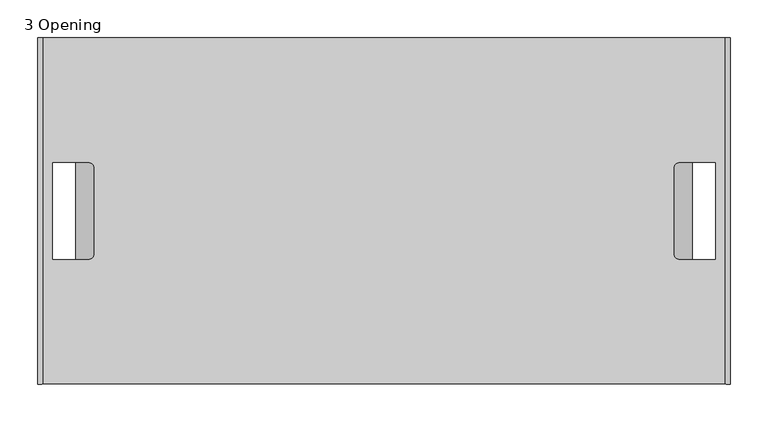
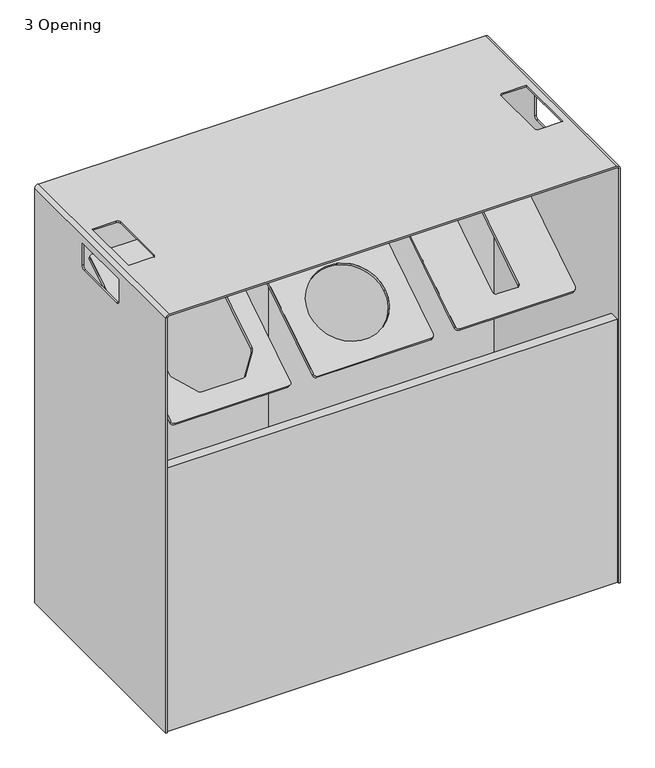
"""IFC4 building model written with IfcOpenShell, lengths in millimetres: furniture geometry, 3 Opening."""

from ifc_helpers import new_model, si_unit, point, frame, origin, place, context, project, spatial, polyline, circle_curve, ellipse_curve, trimmed, outline, extrude, source, transform, mapped, element, save
from ifc_brep_helpers import plane_surface, cylinder_surface, revolved_surface, extruded_surface, advanced_brep


def furniture_3_opening_457c4e11(model_context):
    return source(origin(), model_context, "Body", "SolidModel", [
        advanced_brep(
        [(56.15, -102.6571407, 810.2637759), (49.8, -108.013156, 806.8526764), (49.8, -386.8172703, 629.2899642), (56.15, -392.1732856, 625.8788646), (284.75, -392.1732856, 625.8788646), (291.1, -386.8172703, 629.2899642), (291.1, -108.013156, 806.8526764), (284.75, -102.6571407, 810.2637759), (87.9, -181.8492622, 759.8284805), (90.1001533, -176.7313579, 763.0879338), (122.8895643, -143.6088696, 784.1827403), (130.838696, -140.472476, 786.1802235), (209.3959224, -140.472476, 786.1802235), (220.1220339, -144.7339742, 783.4661919), (251.3108387, -176.5831405, 763.1823293), (253.0, -180.5453164, 760.6589279), (253.0, -317.6889974, 673.3158698), (250.0484863, -324.5546846, 668.9433015), (219.8334911, -355.076606, 649.5047249), (211.2749163, -358.4534602, 647.3540988), (128.6285355, -358.4534602, 647.3540988), (122.0278056, -355.8309816, 649.0242837), (90.005801, -323.1309741, 669.8500238), (87.9, -318.1915086, 672.9958342), (56.15, -99.5358468, 805.3628057), (284.75, -99.5358468, 805.3628057), (291.1, -104.8918621, 801.9517061), (291.1, -383.6959765, 624.388994), (284.75, -389.0519917, 620.9778944), (56.15, -389.0519917, 620.9778944), (49.8, -383.6959765, 624.388994), (49.8, -104.8918621, 801.9517061), (87.9, -178.7279683, 754.9275102), (87.9, -315.0702147, 668.094864), (90.005801, -320.0096802, 664.9490535), (122.0278056, -352.7096877, 644.1233135), (128.6285355, -355.3321664, 642.4531286), (211.2749163, -355.3321664, 642.4531286), (219.8334911, -351.9553121, 644.6037546), (250.0484863, -321.4333907, 664.0423313), (253.0, -314.5677035, 668.4148996), (253.0, -177.4240226, 755.7579576), (251.3108387, -173.4618467, 758.2813591), (220.1220339, -141.6126804, 778.5652216), (209.3959224, -137.3511822, 781.2792533), (130.838696, -137.3511822, 781.2792533), (122.8895643, -140.4875758, 779.28177), (90.1001533, -173.610064, 758.1869635)],
        [
            (0, 1, circle_curve(frame((56.15, -108.013156, 806.8526764), z_axis=(0.0, -0.537181036854724, 0.8434669724676147), x_axis=(1.0, 0.0, 0.0)), 6.35)),
            (1, 2),
            (2, 3, circle_curve(frame((56.15, -386.8172703, 629.2899642), z_axis=(0.0, -0.537181036854724, 0.8434669724676147), x_axis=(1.0, 0.0, 0.0)), 6.35)),
            (3, 4),
            (4, 5, circle_curve(frame((284.75, -386.8172703, 629.2899642), z_axis=(0.0, -0.537181036854724, 0.8434669724676147), x_axis=(1.0, 0.0, 0.0)), 6.35)),
            (5, 6),
            (6, 7, circle_curve(frame((284.75, -108.013156, 806.8526764), z_axis=(0.0, -0.537181036854724, 0.8434669724676147), x_axis=(1.0, 0.0, 0.0)), 6.35)),
            (7, 0),
            (8, 9, circle_curve(frame((97.366989, -181.8492622, 759.8284805), z_axis=(0.0, 0.537181036854724, -0.8434669724676147), x_axis=(1.0, 0.0, 0.0)), 9.466989)),
            (9, 10),
            (10, 11, circle_curve(frame((130.838696, -149.207303, 780.6172512), z_axis=(0.0, 0.537181036854724, -0.8434669724676147), x_axis=(1.0, 0.0, 0.0)), 10.3558613)),
            (11, 12),
            (12, 13, circle_curve(frame((209.3959224, -152.2067016, 778.7070164), z_axis=(0.0, 0.537181036854724, -0.8434669724676147), x_axis=(1.0, 0.0, 0.0)), 13.9118968)),
            (13, 14),
            (14, 15, circle_curve(frame((245.6236593, -180.5453164, 760.6589279), z_axis=(0.0, 0.537181036854724, -0.8434669724676147), x_axis=(1.0, 0.0, 0.0)), 7.3763407)),
            (15, 16),
            (16, 17, circle_curve(frame((240.3, -317.6889974, 673.3158698), z_axis=(0.0, 0.537181036854724, -0.8434669724676147), x_axis=(1.0, 0.0, 0.0)), 12.7)),
            (17, 18),
            (18, 19, circle_curve(frame((211.2749163, -349.0489526, 653.3435724), z_axis=(0.0, 0.537181036854724, -0.8434669724676147), x_axis=(1.0, 0.0, 0.0)), 11.1498233)),
            (19, 20),
            (20, 21, circle_curve(frame((128.6285355, -351.2323482, 651.9530275), z_axis=(0.0, 0.537181036854724, -0.8434669724676147), x_axis=(1.0, 0.0, 0.0)), 8.5612268)),
            (21, 22),
            (22, 23, circle_curve(frame((97.0957503, -318.1915086, 672.9958342), z_axis=(0.0, 0.537181036854724, -0.8434669724676147), x_axis=(1.0, 0.0, 0.0)), 9.1957503)),
            (23, 8),
            (24, 25),
            (25, 26, circle_curve(frame((284.75, -104.8918621, 801.9517061), z_axis=(0.0, 0.537181036854724, -0.8434669724676147), x_axis=(1.0, 0.0, 0.0)), 6.35)),
            (26, 27),
            (27, 28, circle_curve(frame((284.75, -383.6959765, 624.388994), z_axis=(0.0, 0.537181036854724, -0.8434669724676147), x_axis=(1.0, 0.0, 0.0)), 6.35)),
            (28, 29),
            (29, 30, circle_curve(frame((56.15, -383.6959765, 624.388994), z_axis=(0.0, 0.537181036854724, -0.8434669724676147), x_axis=(1.0, 0.0, 0.0)), 6.35)),
            (30, 31),
            (31, 24, circle_curve(frame((56.15, -104.8918621, 801.9517061), z_axis=(0.0, 0.537181036854724, -0.8434669724676147), x_axis=(1.0, 0.0, 0.0)), 6.35)),
            (32, 33),
            (33, 34, circle_curve(frame((97.0957503, -315.0702147, 668.094864), z_axis=(0.0, -0.537181036854724, 0.8434669724676147), x_axis=(1.0, 0.0, 0.0)), 9.1957503)),
            (34, 35),
            (35, 36, circle_curve(frame((128.6285355, -348.1110543, 647.0520572), z_axis=(0.0, -0.537181036854724, 0.8434669724676147), x_axis=(1.0, 0.0, 0.0)), 8.5612268)),
            (36, 37),
            (37, 38, circle_curve(frame((211.2749163, -345.9276587, 648.4426022), z_axis=(0.0, -0.537181036854724, 0.8434669724676147), x_axis=(1.0, 0.0, 0.0)), 11.1498233)),
            (38, 39),
            (39, 40, circle_curve(frame((240.3, -314.5677035, 668.4148996), z_axis=(0.0, -0.537181036854724, 0.8434669724676147), x_axis=(1.0, 0.0, 0.0)), 12.7)),
            (40, 41),
            (41, 42, circle_curve(frame((245.6236593, -177.4240226, 755.7579576), z_axis=(0.0, -0.537181036854724, 0.8434669724676147), x_axis=(1.0, 0.0, 0.0)), 7.3763407)),
            (42, 43),
            (43, 44, circle_curve(frame((209.3959224, -149.0854077, 773.8060461), z_axis=(0.0, -0.537181036854724, 0.8434669724676147), x_axis=(1.0, 0.0, 0.0)), 13.9118968)),
            (44, 45),
            (45, 46, circle_curve(frame((130.838696, -146.0860091, 775.716281), z_axis=(0.0, -0.537181036854724, 0.8434669724676147), x_axis=(1.0, 0.0, 0.0)), 10.3558613)),
            (46, 47),
            (47, 32, circle_curve(frame((97.366989, -178.7279683, 754.9275102), z_axis=(0.0, -0.537181036854724, 0.8434669724676147), x_axis=(1.0, 0.0, 0.0)), 9.466989)),
            (0, 24),
            (31, 1),
            (30, 2),
            (29, 3),
            (28, 4),
            (27, 5),
            (26, 6),
            (25, 7),
            (8, 32),
            (47, 9),
            (46, 10),
            (45, 11),
            (44, 12),
            (43, 13),
            (42, 14),
            (41, 15),
            (40, 16),
            (39, 17),
            (38, 18),
            (37, 19),
            (36, 20),
            (35, 21),
            (34, 22),
            (33, 23),
        ],
        [
            plane_surface(frame((62.5, -108.013156, 806.8526764), z_axis=(0.0, -0.5371810368547238, 0.8434669724676146), x_axis=(0.0, 0.8434669724676146, 0.5371810368547238))),
            plane_surface(frame((62.5, -104.8918621, 801.9517061), z_axis=(0.0, 0.5371810368547238, -0.8434669724676146), x_axis=(0.0, -0.8434669724676146, -0.5371810368547238))),
            cylinder_surface(frame((56.15, -104.8918621, 801.9517061), z_axis=(0.0, -0.537181036854724, 0.8434669724676147), x_axis=(1.0, 0.0, 0.0)), 6.35),
            plane_surface(frame((49.8, -108.013156, 806.8526764), z_axis=(-1.0000000000000002, 0.0, 0.0), x_axis=(0.0, 0.5371810368547235, -0.843466972467615))),
            cylinder_surface(frame((56.15, -383.6959765, 624.388994), z_axis=(0.0, -0.537181036854724, 0.8434669724676147), x_axis=(1.0, 0.0, 0.0)), 6.35),
            plane_surface(frame((56.15, -392.1732856, 625.8788646), z_axis=(0.0, -0.843466972467615, -0.5371810368547235), x_axis=(0.0, 0.5371810368547235, -0.843466972467615))),
            cylinder_surface(frame((284.75, -383.6959765, 624.388994), z_axis=(0.0, -0.537181036854724, 0.8434669724676147), x_axis=(1.0, 0.0, 0.0)), 6.35),
            plane_surface(frame((291.1, -386.8172703, 629.2899642), z_axis=(1.0000000000000002, 0.0, 0.0), x_axis=(0.0, 0.5371810368547235, -0.843466972467615))),
            cylinder_surface(frame((284.75, -104.8918621, 801.9517061), z_axis=(0.0, -0.537181036854724, 0.8434669724676147), x_axis=(1.0, 0.0, 0.0)), 6.35),
            plane_surface(frame((284.75, -102.6571407, 810.2637759), z_axis=(0.0, 0.8434669724676136, 0.5371810368547256), x_axis=(0.0, 0.5371810368547256, -0.8434669724676136))),
            revolved_surface(polyline([(106.833978, -178.7279683042494, 754.9275101972938), (106.833978, -181.8492622337114, 759.8284805596874)]), (97.366989, 251.3620675, 79.6118987), (0.0, 0.537181036854724, -0.8434669724676147)),
            plane_surface(frame((90.1001533, -176.7313579, 763.0879338), z_axis=(0.767597349741796, -0.5406052894675504, -0.34429671748228635), x_axis=(0.0, 0.5371810368547172, -0.843466972467619))),
            revolved_surface(polyline([(141.19455729999999, -146.0860091495589, 775.7162809684374), (141.19455729999999, -149.20730301733585, 780.617251233975)]), (130.838696, 284.0040267, 100.4006694), (0.0, 0.537181036854724, -0.8434669724676147)),
            plane_surface(frame((130.838696, -140.472476, 786.1802235), z_axis=(0.0, -0.8434669724676217, -0.537181036854713), x_axis=(0.0, 0.537181036854713, -0.8434669724676217))),
            revolved_surface(polyline([(223.30781919999998, -149.085407652244, 773.8060460726537), (223.30781919999998, -152.20670157110533, 778.7070164184024)]), (209.3959224, 281.0046282, 98.4904345), (0.0, 0.537181036854724, -0.8434669724676147)),
            plane_surface(frame((220.1220339, -144.7339742, 783.4661919), z_axis=(-0.7710028069277521, -0.5371465441050772, -0.3420939371948878), x_axis=(0.0, 0.5371810368547256, -0.8434669724676136))),
            revolved_surface(polyline([(253.0, -177.42402257841522, 755.7579576137471), (253.0, -180.545316442249, 760.6589278730929)]), (245.6236593, 252.6660133, 80.442346), (0.0, 0.537181036854724, -0.8434669724676147)),
            plane_surface(frame((253.0, -180.5453164, 760.6589279), z_axis=(-1.0000000000000002, 0.0, 0.0), x_axis=(0.0, 0.5371810368547235, -0.843466972467615))),
            revolved_surface(polyline([(253.0, -314.56770354955887, 668.4148995684375), (253.0, -317.68899740924485, 673.3158698212708)]), (240.3, 115.5223323, -6.900712), (0.0, 0.537181036854724, -0.8434669724676147)),
            plane_surface(frame((250.0484863, -324.5546846, 668.9433015), z_axis=(-0.7675973497417912, 0.5406052894675529, 0.3442967174822936), x_axis=(0.0, 0.5371810368547235, -0.843466972467615))),
            revolved_surface(polyline([(222.4247396, -345.92765864633276, 648.4426021633719), (222.4247396, -349.04895253902293, 653.3435724680274)]), (211.2749163, 84.1623772, -26.8730094), (0.0, 0.537181036854724, -0.8434669724676147)),
            plane_surface(frame((211.2749163, -358.4534602, 647.3540988), z_axis=(0.0, 0.843466972467615, 0.5371810368547235), x_axis=(0.0, 0.5371810368547235, -0.843466972467615))),
            revolved_surface(polyline([(137.18976229999998, -348.1110542784152, 647.052057213747), (137.18976229999998, -351.23234817110534, 651.9530275184025)]), (128.6285355, 81.9789816, -28.2635544), (0.0, 0.537181036854724, -0.8434669724676147)),
            plane_surface(frame((122.0278056, -355.8309816, 649.0242837), z_axis=(0.7710028069277461, 0.5371465441050809, 0.3420939371948958), x_axis=(0.0, 0.5371810368547318, -0.8434669724676096))),
            revolved_surface(polyline([(106.2915006, -315.07021471754626, 668.0948639181722), (106.2915006, -318.19150861023644, 672.9958342228277)]), (97.0957503, 115.0198211, -7.2207476), (0.0, 0.537181036854724, -0.8434669724676147)),
            plane_surface(frame((87.9, -318.1915086, 672.9958342), z_axis=(1.0000000000000002, 0.0, 0.0), x_axis=(0.0, 0.5371810368547235, -0.843466972467615))),
        ],
        [
            (0, [[1, 2, 3, 4, 5, 6, 7, 8], [9, 10, 11, 12, 13, 14, 15, 16, 17, 18, 19, 20, 21, 22, 23, 24]]),
            (1, [[25, 26, 27, 28, 29, 30, 31, 32], [33, 34, 35, 36, 37, 38, 39, 40, 41, 42, 43, 44, 45, 46, 47, 48]]),
            (2, [[-1, 49, -32, 50]]),
            (3, [[-2, -50, -31, 51]]),
            (4, [[-3, -51, -30, 52]]),
            (5, [[-4, -52, -29, 53]]),
            (6, [[-5, -53, -28, 54]]),
            (7, [[-6, -54, -27, 55]]),
            (8, [[-7, -55, -26, 56]]),
            (9, [[-8, -56, -25, -49]]),
            (10, [[-9, 57, -48, 58]]),
            (11, [[-10, -58, -47, 59]]),
            (12, [[-11, -59, -46, 60]]),
            (13, [[-12, -60, -45, 61]]),
            (14, [[-13, -61, -44, 62]]),
            (15, [[-14, -62, -43, 63]]),
            (16, [[-15, -63, -42, 64]]),
            (17, [[-16, -64, -41, 65]]),
            (18, [[-17, -65, -40, 66]]),
            (19, [[-18, -66, -39, 67]]),
            (20, [[-19, -67, -38, 68]]),
            (21, [[-20, -68, -37, 69]]),
            (22, [[-21, -69, -36, 70]]),
            (23, [[-22, -70, -35, 71]]),
            (24, [[-23, -71, -34, 72]]),
            (25, [[-24, -72, -33, -57]]),
        ],
    ),
        advanced_brep(
        [(343.4, -102.6571407, 810.2637759), (337.05, -108.013156, 806.8526764), (337.05, -386.8503278, 629.2689108), (343.4, -392.2063431, 625.8578112), (572.0, -392.2063431, 625.8578112), (578.35, -386.8503278, 629.2689108), (578.35, -108.013156, 806.8526764), (572.0, -102.6571407, 810.2637759), (533.4, -297.7719943, 686.0004642), (381.0, -297.7719943, 686.0004642), (343.4, -99.5358468, 805.3628057), (572.0, -99.5358468, 805.3628057), (578.35, -104.8918621, 801.9517061), (578.35, -383.7290339, 624.3679406), (572.0, -389.0850492, 620.956841), (343.4, -389.0850492, 620.956841), (337.05, -383.7290339, 624.3679406), (337.05, -104.8918621, 801.9517061), (533.4, -294.6507004, 681.0994939), (381.0, -294.6507004, 681.0994939)],
        [
            (0, 1, circle_curve(frame((343.4, -108.013156, 806.8526764), z_axis=(0.0, -0.537181036854724, 0.8434669724676147), x_axis=(1.0, 0.0, 0.0)), 6.35)),
            (1, 2),
            (2, 3, circle_curve(frame((343.4, -386.8503278, 629.2689108), z_axis=(0.0, -0.537181036854724, 0.8434669724676147), x_axis=(1.0, 0.0, 0.0)), 6.35)),
            (3, 4),
            (4, 5, circle_curve(frame((572.0, -386.8503278, 629.2689108), z_axis=(0.0, -0.537181036854724, 0.8434669724676147), x_axis=(1.0, 0.0, 0.0)), 6.35)),
            (5, 6),
            (6, 7, circle_curve(frame((572.0, -108.013156, 806.8526764), z_axis=(0.0, -0.537181036854724, 0.8434669724676147), x_axis=(1.0, 0.0, 0.0)), 6.35)),
            (7, 0),
            (8, 9, ellipse_curve(frame((457.2, -297.7719943, 686.0004642), z_axis=(0.0, 0.537181036854724, -0.8434669724676145), x_axis=(-1.0, 0.0, 0.0)), 76.2, 75.117907)),
            (9, 8, ellipse_curve(frame((457.2, -297.7719943, 686.0004642), z_axis=(0.0, 0.537181036854724, -0.8434669724676145), x_axis=(-1.0, 0.0, 0.0)), 76.2, 75.117907)),
            (10, 11),
            (11, 12, circle_curve(frame((572.0, -104.8918621, 801.9517061), z_axis=(0.0, 0.537181036854724, -0.8434669724676147), x_axis=(1.0, 0.0, 0.0)), 6.35)),
            (12, 13),
            (13, 14, circle_curve(frame((572.0, -383.7290339, 624.3679406), z_axis=(0.0, 0.537181036854724, -0.8434669724676147), x_axis=(1.0, 0.0, 0.0)), 6.35)),
            (14, 15),
            (15, 16, circle_curve(frame((343.4, -383.7290339, 624.3679406), z_axis=(0.0, 0.537181036854724, -0.8434669724676147), x_axis=(1.0, 0.0, 0.0)), 6.35)),
            (16, 17),
            (17, 10, circle_curve(frame((343.4, -104.8918621, 801.9517061), z_axis=(0.0, 0.537181036854724, -0.8434669724676147), x_axis=(1.0, 0.0, 0.0)), 6.35)),
            (18, 19, ellipse_curve(frame((457.2, -294.6507004, 681.0994939), z_axis=(0.0, -0.537181036854724, 0.8434669724676145), x_axis=(-1.0, 0.0, 0.0)), 76.2, 75.117907)),
            (19, 18, ellipse_curve(frame((457.2, -294.6507004, 681.0994939), z_axis=(0.0, -0.537181036854724, 0.8434669724676145), x_axis=(-1.0, 0.0, 0.0)), 76.2, 75.117907)),
            (0, 10),
            (17, 1),
            (16, 2),
            (15, 3),
            (14, 4),
            (13, 5),
            (12, 6),
            (11, 7),
            (8, 18),
            (19, 9),
        ],
        [
            plane_surface(frame((62.5, -108.013156, 806.8526764), z_axis=(0.0, -0.5371810368547238, 0.8434669724676146), x_axis=(0.0, 0.8434669724676146, 0.5371810368547238))),
            plane_surface(frame((62.5, -104.8918621, 801.9517061), z_axis=(0.0, 0.5371810368547238, -0.8434669724676146), x_axis=(0.0, -0.8434669724676146, -0.5371810368547238))),
            cylinder_surface(frame((343.4, 325.1981738, 126.6360945), z_axis=(0.0, -0.537181036854724, 0.8434669724676147), x_axis=(1.0, 0.0, 0.0)), 6.35),
            plane_surface(frame((337.05, -108.013156, 806.8526764), z_axis=(-1.0000000000000002, 0.0, 0.0), x_axis=(0.0, 0.5371810368547235, -0.843466972467615))),
            cylinder_surface(frame((343.4, 46.3610019, -50.947671), z_axis=(0.0, -0.537181036854724, 0.8434669724676147), x_axis=(1.0, 0.0, 0.0)), 6.35),
            plane_surface(frame((343.4, -392.2063431, 625.8578112), z_axis=(0.0, -0.8434669724676096, -0.5371810368547318), x_axis=(0.0, 0.5371810368547318, -0.8434669724676096))),
            cylinder_surface(frame((572.0, 46.3610019, -50.947671), z_axis=(0.0, -0.537181036854724, 0.8434669724676147), x_axis=(1.0, 0.0, 0.0)), 6.35),
            plane_surface(frame((578.35, -386.8503278, 629.2689108), z_axis=(1.0000000000000002, 0.0, 0.0), x_axis=(0.0, 0.5371810368547235, -0.843466972467615))),
            cylinder_surface(frame((572.0, 325.1981738, 126.6360945), z_axis=(0.0, -0.537181036854724, 0.8434669724676147), x_axis=(1.0, 0.0, 0.0)), 6.35),
            plane_surface(frame((572.0, -102.6571407, 810.2637759), z_axis=(0.0, 0.843466972467615, 0.5371810368547235), x_axis=(0.0, 0.5371810368547235, -0.843466972467615))),
            extruded_surface(trimmed(ellipse_curve(frame((457.2, 138.5606293, 0.8829121), z_axis=(0.0, 0.537181036854724, -0.8434669724676145), x_axis=(-1.0, 0.0, 0.0)), 76.2, 75.117907), [point((533.4, 138.5606293, 0.8829121))], [point((381.0, 138.5606293, 0.8829121))], True, "CARTESIAN"), (0.0, -3.1212938999999835, 4.9009702), 5.810506390278316),
            extruded_surface(trimmed(ellipse_curve(frame((457.2, 138.5606293, 0.8829121), z_axis=(0.0, 0.537181036854724, -0.8434669724676145), x_axis=(-1.0, 0.0, 0.0)), 76.2, 75.117907), [point((381.0, 138.5606293, 0.8829121))], [point((533.4, 138.5606293, 0.8829121))], True, "CARTESIAN"), (0.0, -3.1212938999999835, 4.9009702), 5.810506390278316),
        ],
        [
            (0, [[1, 2, 3, 4, 5, 6, 7, 8], [9, 10]]),
            (1, [[11, 12, 13, 14, 15, 16, 17, 18], [19, 20]]),
            (2, [[-1, 21, -18, 22]]),
            (3, [[-2, -22, -17, 23]]),
            (4, [[-3, -23, -16, 24]]),
            (5, [[-4, -24, -15, 25]]),
            (6, [[-5, -25, -14, 26]]),
            (7, [[-6, -26, -13, 27]]),
            (8, [[-7, -27, -12, 28]]),
            (9, [[-8, -28, -11, -21]]),
            (10, [[-9, 29, -20, 30]]),
            (11, [[-10, -30, -19, -29]]),
        ],
    ),
        advanced_brep(
        [(629.65, -102.6571407, 810.2637759), (623.3, -108.013156, 806.8526764), (623.3, -386.3567281, 629.583271), (629.65, -391.7127434, 626.1721714), (858.25, -391.7127434, 626.1721714), (864.6, -386.3567281, 629.583271), (864.6, -108.013156, 806.8526764), (858.25, -102.6571407, 810.2637759), (717.86, -141.7661355, 785.3563272), (722.94, -137.4813233, 788.0852069), (764.96, -137.4813233, 788.0852069), (770.04, -141.7661355, 785.3563272), (770.04, -354.168648, 650.0829785), (764.96, -358.4534602, 647.3540988), (722.94, -358.4534602, 647.3540988), (717.86, -354.168648, 650.0829785), (629.65, -99.5358468, 805.3628057), (858.25, -99.5358468, 805.3628057), (864.6, -104.8918621, 801.9517061), (864.6, -383.2354342, 624.6823007), (858.25, -388.5914495, 621.2712011), (629.65, -388.5914495, 621.2712011), (623.3, -383.2354342, 624.6823007), (623.3, -104.8918621, 801.9517061), (717.86, -138.6448416, 780.455357), (717.86, -351.0473541, 645.1820082), (722.94, -355.3321664, 642.4531286), (764.96, -355.3321664, 642.4531286), (770.04, -351.0473541, 645.1820082), (770.04, -138.6448416, 780.455357), (764.96, -134.3600294, 783.1842366), (722.94, -134.3600294, 783.1842366)],
        [
            (0, 1, circle_curve(frame((629.65, -108.013156, 806.8526764), z_axis=(0.0, -0.537181036854724, 0.8434669724676147), x_axis=(1.0, 0.0, 0.0)), 6.35)),
            (1, 2),
            (2, 3, circle_curve(frame((629.65, -386.3567281, 629.583271), z_axis=(0.0, -0.537181036854724, 0.8434669724676147), x_axis=(1.0, 0.0, 0.0)), 6.35)),
            (3, 4),
            (4, 5, circle_curve(frame((858.25, -386.3567281, 629.583271), z_axis=(0.0, -0.537181036854724, 0.8434669724676147), x_axis=(1.0, 0.0, 0.0)), 6.35)),
            (5, 6),
            (6, 7, circle_curve(frame((858.25, -108.013156, 806.8526764), z_axis=(0.0, -0.537181036854724, 0.8434669724676147), x_axis=(1.0, 0.0, 0.0)), 6.35)),
            (7, 0),
            (8, 9, circle_curve(frame((722.94, -141.7661355, 785.3563272), z_axis=(0.0, 0.537181036854724, -0.8434669724676147), x_axis=(1.0, 0.0, 0.0)), 5.08)),
            (9, 10),
            (10, 11, circle_curve(frame((764.96, -141.7661355, 785.3563272), z_axis=(0.0, 0.537181036854724, -0.8434669724676147), x_axis=(1.0, 0.0, 0.0)), 5.08)),
            (11, 12),
            (12, 13, circle_curve(frame((764.96, -354.168648, 650.0829785), z_axis=(0.0, 0.537181036854724, -0.8434669724676147), x_axis=(1.0, 0.0, 0.0)), 5.08)),
            (13, 14),
            (14, 15, circle_curve(frame((722.94, -354.168648, 650.0829785), z_axis=(0.0, 0.537181036854724, -0.8434669724676147), x_axis=(1.0, 0.0, 0.0)), 5.08)),
            (15, 8),
            (16, 17),
            (17, 18, circle_curve(frame((858.25, -104.8918621, 801.9517061), z_axis=(0.0, 0.537181036854724, -0.8434669724676147), x_axis=(1.0, 0.0, 0.0)), 6.35)),
            (18, 19),
            (19, 20, circle_curve(frame((858.25, -383.2354342, 624.6823007), z_axis=(0.0, 0.537181036854724, -0.8434669724676147), x_axis=(1.0, 0.0, 0.0)), 6.35)),
            (20, 21),
            (21, 22, circle_curve(frame((629.65, -383.2354342, 624.6823007), z_axis=(0.0, 0.537181036854724, -0.8434669724676147), x_axis=(1.0, 0.0, 0.0)), 6.35)),
            (22, 23),
            (23, 16, circle_curve(frame((629.65, -104.8918621, 801.9517061), z_axis=(0.0, 0.537181036854724, -0.8434669724676147), x_axis=(1.0, 0.0, 0.0)), 6.35)),
            (24, 25),
            (25, 26, circle_curve(frame((722.94, -351.0473541, 645.1820082), z_axis=(0.0, -0.537181036854724, 0.8434669724676147), x_axis=(1.0, 0.0, 0.0)), 5.08)),
            (26, 27),
            (27, 28, circle_curve(frame((764.96, -351.0473541, 645.1820082), z_axis=(0.0, -0.537181036854724, 0.8434669724676147), x_axis=(1.0, 0.0, 0.0)), 5.08)),
            (28, 29),
            (29, 30, circle_curve(frame((764.96, -138.6448416, 780.455357), z_axis=(0.0, -0.537181036854724, 0.8434669724676147), x_axis=(1.0, 0.0, 0.0)), 5.08)),
            (30, 31),
            (31, 24, circle_curve(frame((722.94, -138.6448416, 780.455357), z_axis=(0.0, -0.537181036854724, 0.8434669724676147), x_axis=(1.0, 0.0, 0.0)), 5.08)),
            (0, 16),
            (23, 1),
            (22, 2),
            (21, 3),
            (20, 4),
            (19, 5),
            (18, 6),
            (17, 7),
            (8, 24),
            (31, 9),
            (30, 10),
            (29, 11),
            (28, 12),
            (27, 13),
            (26, 14),
            (25, 15),
        ],
        [
            plane_surface(frame((62.5, -108.013156, 806.8526764), z_axis=(0.0, -0.5371810368547238, 0.8434669724676146), x_axis=(0.0, 0.8434669724676146, 0.5371810368547238))),
            plane_surface(frame((62.5, -104.8918621, 801.9517061), z_axis=(0.0, 0.5371810368547238, -0.8434669724676146), x_axis=(0.0, -0.8434669724676146, -0.5371810368547238))),
            cylinder_surface(frame((629.65, 325.1981738, 126.6360945), z_axis=(0.0, -0.537181036854724, 0.8434669724676147), x_axis=(1.0, 0.0, 0.0)), 6.35),
            plane_surface(frame((623.3, -108.013156, 806.8526764), z_axis=(-1.0, 0.0, 0.0), x_axis=(0.0, 0.5371810368547214, -0.8434669724676163))),
            cylinder_surface(frame((629.65, 46.8546016, -50.6333109), z_axis=(0.0, -0.537181036854724, 0.8434669724676147), x_axis=(1.0, 0.0, 0.0)), 6.35),
            plane_surface(frame((629.65, -391.7127434, 626.1721714), z_axis=(0.0, -0.843466972467615, -0.5371810368547235), x_axis=(0.0, 0.5371810368547235, -0.843466972467615))),
            cylinder_surface(frame((858.25, 46.8546016, -50.6333109), z_axis=(0.0, -0.537181036854724, 0.8434669724676147), x_axis=(1.0, 0.0, 0.0)), 6.35),
            plane_surface(frame((864.6, -386.3567281, 629.583271), z_axis=(1.0000000000000002, 0.0, 0.0), x_axis=(0.0, 0.537181036854713, -0.8434669724676217))),
            cylinder_surface(frame((858.25, 325.1981738, 126.6360945), z_axis=(0.0, -0.537181036854724, 0.8434669724676147), x_axis=(1.0, 0.0, 0.0)), 6.35),
            plane_surface(frame((858.25, -102.6571407, 810.2637759), z_axis=(0.0, 0.8434669724676136, 0.5371810368547256), x_axis=(0.0, 0.5371810368547256, -0.8434669724676136))),
            revolved_surface(polyline([(728.0200000000001, -138.64484155376755, 780.455356975046), (728.0200000000001, -141.76613544645772, 785.3563272797015)]), (722.94, 291.4451943, 105.1397454), (0.0, 0.537181036854724, -0.8434669724676147)),
            plane_surface(frame((722.94, -137.4813233, 788.0852069), z_axis=(0.0, -0.8434669724676136, -0.5371810368547256), x_axis=(0.0, 0.5371810368547256, -0.8434669724676136))),
            revolved_surface(polyline([(770.0400000000001, -138.64484155376755, 780.455356975046), (770.0400000000001, -141.76613544645772, 785.3563272797015)]), (764.96, 291.4451943, 105.1397454), (0.0, 0.537181036854724, -0.8434669724676147)),
            plane_surface(frame((770.04, -141.7661355, 785.3563272), z_axis=(-1.0000000000000002, 0.0, 0.0), x_axis=(0.0, 0.5371810368547235, -0.843466972467615))),
            revolved_surface(polyline([(770.0400000000001, -351.0473541495589, 645.1820081684375), (770.0400000000001, -354.16864804224906, 650.082978473093)]), (764.96, 79.0426817, -30.1336034), (0.0, 0.537181036854724, -0.8434669724676147)),
            plane_surface(frame((764.96, -358.4534602, 647.3540988), z_axis=(0.0, 0.8434669724676044, 0.5371810368547401), x_axis=(0.0, 0.5371810368547401, -0.8434669724676044))),
            revolved_surface(polyline([(728.0200000000001, -351.0473541495589, 645.1820081684375), (728.0200000000001, -354.16864804224906, 650.082978473093)]), (722.94, 79.0426817, -30.1336034), (0.0, 0.537181036854724, -0.8434669724676147)),
            plane_surface(frame((717.86, -354.168648, 650.0829785), z_axis=(1.0, 0.0, 0.0), x_axis=(0.0, 0.5371810368547341, -0.8434669724676082))),
        ],
        [
            (0, [[1, 2, 3, 4, 5, 6, 7, 8], [9, 10, 11, 12, 13, 14, 15, 16]]),
            (1, [[17, 18, 19, 20, 21, 22, 23, 24], [25, 26, 27, 28, 29, 30, 31, 32]]),
            (2, [[-1, 33, -24, 34]]),
            (3, [[-2, -34, -23, 35]]),
            (4, [[-3, -35, -22, 36]]),
            (5, [[-4, -36, -21, 37]]),
            (6, [[-5, -37, -20, 38]]),
            (7, [[-6, -38, -19, 39]]),
            (8, [[-7, -39, -18, 40]]),
            (9, [[-8, -40, -17, -33]]),
            (10, [[-9, 41, -32, 42]]),
            (11, [[-10, -42, -31, 43]]),
            (12, [[-11, -43, -30, 44]]),
            (13, [[-12, -44, -29, 45]]),
            (14, [[-13, -45, -28, 46]]),
            (15, [[-14, -46, -27, 47]]),
            (16, [[-15, -47, -26, 48]]),
            (17, [[-16, -48, -25, -41]]),
        ],
    ),
        advanced_brep(
        [(6.35, -457.2, 914.4), (0.0, -457.2, 908.05), (0.0, -457.2, 25.4), (2.84, -457.2, 25.4), (2.84, -457.2, 907.7587124), (6.5909206, -457.2, 911.509633), (907.4346143, -457.2, 911.509633), (911.56, -457.2, 907.3842473), (911.56, -457.2, 25.4), (914.4, -457.2, 25.4), (914.4, -457.2, 908.05), (908.05, -457.2, 914.4), (6.35, 0.0, 914.4), (908.05, 0.0, 914.4), (914.4, 0.0, 908.05), (914.4, 0.0, 25.4), (911.56, 0.0, 25.4), (911.56, 0.0, 907.3842473), (907.4346143, 0.0, 911.509633), (6.5909206, 0.0, 911.509633), (2.84, 0.0, 907.7587124), (2.84, 0.0, 25.4), (0.0, 0.0, 25.4), (0.0, 0.0, 908.05), (0.0, -292.2, 891.399), (0.0, -292.2, 843.768), (0.0, -285.85, 837.418), (0.0, -171.439, 837.418), (0.0, -165.089, 843.768), (0.0, -165.089, 891.399), (2.84, -292.2, 843.768), (2.84, -292.2, 891.399), (2.84, -165.089, 891.399), (2.84, -165.089, 843.768), (2.84, -171.439, 837.418), (2.84, -285.85, 837.418), (67.5633572, -165.2030242, 911.509633), (19.9, -165.2030242, 911.509633), (19.9, -292.2, 911.509633), (67.5633572, -292.2, 911.509633), (73.9133572, -285.85, 911.509633), (73.9133572, -171.5530242, 911.509633), (846.8366428, -165.2030242, 911.509633), (840.4866428, -171.5530242, 911.509633), (840.4866428, -285.85, 911.509633), (846.8366428, -292.2, 911.509633), (894.5, -292.2, 911.509633), (894.5, -165.2030242, 911.509633), (911.56, -292.2, 891.399), (911.56, -292.2, 843.768), (911.56, -285.85, 837.418), (911.56, -171.439, 837.418), (911.56, -165.089, 843.768), (911.56, -165.089, 891.399), (914.4, -292.2, 843.768), (914.4, -292.2, 891.399), (914.4, -165.089, 891.399), (914.4, -165.089, 843.768), (914.4, -171.439, 837.418), (914.4, -285.85, 837.418), (19.9, -165.2030242, 914.4), (67.5633572, -165.2030242, 914.4), (73.9133572, -171.5530242, 914.4), (73.9133572, -285.85, 914.4), (67.5633572, -292.2, 914.4), (19.9, -292.2, 914.4), (840.4866428, -171.5530242, 914.4), (846.8366428, -165.2030242, 914.4), (894.5, -165.2030242, 914.4), (894.5, -292.2, 914.4), (846.8366428, -292.2, 914.4), (840.4866428, -285.85, 914.4)],
        [
            (0, 1, circle_curve(frame((6.35, -457.2, 908.05), z_axis=(0.0, -1.0, 0.0), x_axis=(1.0, 0.0, 0.0)), 6.35)),
            (1, 2),
            (2, 3),
            (3, 4),
            (4, 5, circle_curve(frame((6.5909206, -457.2, 907.7587124), z_axis=(0.0, 1.0, 0.0), x_axis=(1.0, 0.0, 0.0)), 3.7509206)),
            (5, 6),
            (6, 7, circle_curve(frame((907.4346143, -457.2, 907.3842473), z_axis=(0.0, 1.0, 0.0), x_axis=(1.0, 0.0, 0.0)), 4.1253857)),
            (7, 8),
            (8, 9),
            (9, 10),
            (10, 11, circle_curve(frame((908.05, -457.2, 908.05), z_axis=(0.0, -1.0, 0.0), x_axis=(1.0, 0.0, 0.0)), 6.35)),
            (11, 0),
            (12, 13),
            (13, 14, circle_curve(frame((908.05, 0.0, 908.05), z_axis=(0.0, 1.0, 0.0), x_axis=(1.0, 0.0, 0.0)), 6.35)),
            (14, 15),
            (15, 16),
            (16, 17),
            (17, 18, circle_curve(frame((907.4346143, 0.0, 907.3842473), z_axis=(0.0, -1.0, 0.0), x_axis=(1.0, 0.0, 0.0)), 4.1253857)),
            (18, 19),
            (19, 20, circle_curve(frame((6.5909206, 0.0, 907.7587124), z_axis=(0.0, -1.0, 0.0), x_axis=(1.0, 0.0, 0.0)), 3.7509206)),
            (20, 21),
            (21, 22),
            (22, 23),
            (23, 12, circle_curve(frame((6.35, 0.0, 908.05), z_axis=(0.0, 1.0, 0.0), x_axis=(1.0, 0.0, 0.0)), 6.35)),
            (0, 12),
            (23, 1),
            (22, 2),
            (24, 25),
            (25, 26, circle_curve(frame((0.0, -285.85, 843.768), z_axis=(1.0, 0.0, 0.0), x_axis=(0.0, 1.0, 0.0)), 6.35)),
            (26, 27),
            (27, 28, circle_curve(frame((0.0, -171.439, 843.768), z_axis=(1.0, 0.0, 0.0), x_axis=(0.0, 1.0, 0.0)), 6.35)),
            (28, 29),
            (29, 24),
            (21, 3),
            (20, 4),
            (30, 31),
            (31, 32),
            (32, 33),
            (33, 34, circle_curve(frame((2.84, -171.439, 843.768), z_axis=(-1.0, 0.0, 0.0), x_axis=(0.0, 1.0, 0.0)), 6.35)),
            (34, 35),
            (35, 30, circle_curve(frame((2.84, -285.85, 843.768), z_axis=(-1.0, 0.0, 0.0), x_axis=(0.0, 1.0, 0.0)), 6.35)),
            (19, 5),
            (18, 6),
            (36, 37),
            (37, 38),
            (38, 39),
            (39, 40, circle_curve(frame((67.5633572, -285.85, 911.509633), z_axis=(0.0, 0.0, 1.0), x_axis=(1.0, 0.0, 0.0)), 6.35)),
            (40, 41),
            (41, 36, circle_curve(frame((67.5633572, -171.5530242, 911.509633), z_axis=(0.0, 0.0, 1.0), x_axis=(1.0, 0.0, 0.0)), 6.35)),
            (42, 43, circle_curve(frame((846.8366428, -171.5530242, 911.509633), z_axis=(0.0, 0.0, 1.0), x_axis=(1.0, 0.0, 0.0)), 6.35)),
            (43, 44),
            (44, 45, circle_curve(frame((846.8366428, -285.85, 911.509633), z_axis=(0.0, 0.0, 1.0), x_axis=(1.0, 0.0, 0.0)), 6.35)),
            (45, 46),
            (46, 47),
            (47, 42),
            (17, 7),
            (16, 8),
            (48, 49),
            (49, 50, circle_curve(frame((911.56, -285.85, 843.768), z_axis=(1.0, 0.0, 0.0), x_axis=(0.0, 1.0, 0.0)), 6.35)),
            (50, 51),
            (51, 52, circle_curve(frame((911.56, -171.439, 843.768), z_axis=(1.0, 0.0, 0.0), x_axis=(0.0, 1.0, 0.0)), 6.35)),
            (52, 53),
            (53, 48),
            (15, 9),
            (14, 10),
            (54, 55),
            (55, 56),
            (56, 57),
            (57, 58, circle_curve(frame((914.4, -171.439, 843.768), z_axis=(-1.0, 0.0, 0.0), x_axis=(0.0, 1.0, 0.0)), 6.35)),
            (58, 59),
            (59, 54, circle_curve(frame((914.4, -285.85, 843.768), z_axis=(-1.0, 0.0, 0.0), x_axis=(0.0, 1.0, 0.0)), 6.35)),
            (13, 11),
            (60, 61),
            (61, 62, circle_curve(frame((67.5633572, -171.5530242, 914.4), z_axis=(0.0, 0.0, -1.0), x_axis=(1.0, 0.0, 0.0)), 6.35)),
            (62, 63),
            (63, 64, circle_curve(frame((67.5633572, -285.85, 914.4), z_axis=(0.0, 0.0, -1.0), x_axis=(1.0, 0.0, 0.0)), 6.35)),
            (64, 65),
            (65, 60),
            (66, 67, circle_curve(frame((846.8366428, -171.5530242, 914.4), z_axis=(0.0, 0.0, -1.0), x_axis=(1.0, 0.0, 0.0)), 6.35)),
            (67, 68),
            (68, 69),
            (69, 70),
            (70, 71, circle_curve(frame((846.8366428, -285.85, 914.4), z_axis=(0.0, 0.0, -1.0), x_axis=(1.0, 0.0, 0.0)), 6.35)),
            (71, 66),
            (24, 31),
            (30, 25),
            (48, 55),
            (54, 49),
            (35, 26),
            (59, 50),
            (34, 27),
            (58, 51),
            (33, 28),
            (57, 52),
            (32, 29),
            (56, 53),
            (36, 61),
            (60, 37),
            (65, 38),
            (64, 39),
            (63, 40),
            (62, 41),
            (42, 67),
            (66, 43),
            (71, 44),
            (70, 45),
            (69, 46),
            (68, 47),
        ],
        [
            plane_surface(frame((12.7, -457.2, 908.05), z_axis=(0.0, -1.0, 0.0), x_axis=(0.0, 0.0, 1.0))),
            plane_surface(frame((12.7, 0.0, 908.05), z_axis=(0.0, 1.0, 0.0), x_axis=(0.0, 0.0, -1.0))),
            cylinder_surface(frame((6.35, 0.0, 908.05), z_axis=(0.0, -1.0, 0.0), x_axis=(1.0, 0.0, 0.0)), 6.35),
            plane_surface(frame((0.0, -457.2, 908.05), z_axis=(-1.0, 0.0, 0.0), x_axis=(0.0, 1.0, 0.0))),
            plane_surface(frame((0.0, -457.2, 25.4), z_axis=(0.0, 0.0, -1.0), x_axis=(0.0, 1.0, 0.0))),
            plane_surface(frame((2.84, -457.2, 25.4), z_axis=(1.0, 0.0, 0.0), x_axis=(0.0, 1.0, 0.0))),
            revolved_surface(polyline([(10.3418412, 0.0, 907.7587124), (10.3418412, -457.2, 907.7587124)]), (6.5909206, 0.0, 907.7587124), (0.0, 1.0, 0.0)),
            plane_surface(frame((6.5909206, -457.2, 911.509633), z_axis=(0.0, 0.0, -1.0), x_axis=(0.0, 1.0, 0.0))),
            revolved_surface(polyline([(911.5600000000001, 0.0, 907.3842473), (911.5600000000001, -457.2, 907.3842473)]), (907.4346143, 0.0, 907.3842473), (0.0, 1.0, 0.0)),
            plane_surface(frame((911.56, -457.2, 907.3842473), z_axis=(-1.0, 0.0, 0.0), x_axis=(0.0, 1.0, 0.0))),
            plane_surface(frame((911.56, -457.2, 25.4), z_axis=(0.0, 0.0, -1.0), x_axis=(0.0, 1.0, 0.0))),
            plane_surface(frame((914.4, -457.2, 25.4), z_axis=(1.0, 0.0, 0.0), x_axis=(0.0, 1.0, 0.0))),
            cylinder_surface(frame((908.05, 0.0, 908.05), z_axis=(0.0, -1.0, 0.0), x_axis=(1.0, 0.0, 0.0)), 6.35),
            plane_surface(frame((908.05, -457.2, 914.4), z_axis=(0.0, 0.0, 1.0), x_axis=(0.0, 1.0, 0.0))),
            plane_surface(frame((914.4, -292.2, 891.399), z_axis=(0.0, 1.0, 0.0), x_axis=(-1.0, 0.0, 0.0))),
            revolved_surface(polyline([(2.84, -279.5, 843.768), (0.0, -279.5, 843.768)]), (0.0, -285.85, 843.768), (1.0, 0.0, 0.0)),
            revolved_surface(polyline([(914.4, -279.5, 843.768), (911.56, -279.5, 843.768)]), (0.0, -285.85, 843.768), (1.0, 0.0, 0.0)),
            plane_surface(frame((914.4, -285.85, 837.418), z_axis=(0.0, 0.0, 1.0), x_axis=(-1.0, 0.0, 0.0))),
            revolved_surface(polyline([(2.84, -165.089, 843.768), (0.0, -165.089, 843.768)]), (0.0, -171.439, 843.768), (1.0, 0.0, 0.0)),
            revolved_surface(polyline([(914.4, -165.089, 843.768), (911.56, -165.089, 843.768)]), (0.0, -171.439, 843.768), (1.0, 0.0, 0.0)),
            plane_surface(frame((914.4, -165.089, 843.768), z_axis=(0.0, -1.0, 0.0), x_axis=(-1.0, 0.0, 0.0))),
            plane_surface(frame((914.4, -165.089, 891.399), z_axis=(0.0, 0.0, -1.0), x_axis=(-1.0, 0.0, 0.0))),
            plane_surface(frame((67.5633572, -165.2030242, 914.4), z_axis=(0.0, -1.0, 0.0), x_axis=(0.0, 0.0, -1.0))),
            plane_surface(frame((19.9, -165.2030242, 914.4), z_axis=(1.0, 0.0, 0.0), x_axis=(0.0, 0.0, -1.0))),
            plane_surface(frame((19.9, -292.2, 914.4), z_axis=(0.0, 1.0, 0.0), x_axis=(0.0, 0.0, -1.0))),
            revolved_surface(polyline([(73.9133572, -285.85, 914.4), (73.9133572, -285.85, 911.509633)]), (67.5633572, -285.85, 882.65), (0.0, 0.0, 1.0)),
            plane_surface(frame((73.9133572, -285.85, 914.4), z_axis=(-1.0, 0.0, 0.0), x_axis=(0.0, 0.0, -1.0))),
            revolved_surface(polyline([(73.9133572, -171.5530242, 914.4), (73.9133572, -171.5530242, 911.509633)]), (67.5633572, -171.5530242, 882.65), (0.0, 0.0, 1.0)),
            revolved_surface(polyline([(853.1866428000001, -171.5530242, 914.4), (853.1866428000001, -171.5530242, 911.509633)]), (846.8366428, -171.5530242, 0.0), (0.0, 0.0, 1.0)),
            plane_surface(frame((840.4866428, -171.5530242, 914.4), z_axis=(1.0, 0.0, 0.0), x_axis=(0.0, 0.0, -1.0))),
            revolved_surface(polyline([(853.1866428000001, -285.85, 914.4), (853.1866428000001, -285.85, 911.509633)]), (846.8366428, -285.85, 0.0), (0.0, 0.0, 1.0)),
            plane_surface(frame((846.8366428, -292.2, 914.4), z_axis=(0.0, 1.0, 0.0), x_axis=(0.0, 0.0, -1.0))),
            plane_surface(frame((894.5, -292.2, 914.4), z_axis=(-1.0, 0.0, 0.0), x_axis=(0.0, 0.0, -1.0))),
            plane_surface(frame((894.5, -165.2030242, 914.4), z_axis=(0.0, -1.0, 0.0), x_axis=(0.0, 0.0, -1.0))),
        ],
        [
            (0, [[1, 2, 3, 4, 5, 6, 7, 8, 9, 10, 11, 12]]),
            (1, [[13, 14, 15, 16, 17, 18, 19, 20, 21, 22, 23, 24]]),
            (2, [[-1, 25, -24, 26]]),
            (3, [[-2, -26, -23, 27], [28, 29, 30, 31, 32, 33]]),
            (4, [[-3, -27, -22, 34]]),
            (5, [[-4, -34, -21, 35], [36, 37, 38, 39, 40, 41]]),
            (6, [[-5, -35, -20, 42]]),
            (7, [[-6, -42, -19, 43], [44, 45, 46, 47, 48, 49], [50, 51, 52, 53, 54, 55]]),
            (8, [[-7, -43, -18, 56]]),
            (9, [[-8, -56, -17, 57], [58, 59, 60, 61, 62, 63]]),
            (10, [[-9, -57, -16, 64]]),
            (11, [[-10, -64, -15, 65], [66, 67, 68, 69, 70, 71]]),
            (12, [[-11, -65, -14, 72]]),
            (13, [[-12, -72, -13, -25], [73, 74, 75, 76, 77, 78], [79, 80, 81, 82, 83, 84]]),
            (14, [[85, -36, 86, -28]]),
            (14, [[87, -66, 88, -58]]),
            (15, [[-86, -41, 89, -29]]),
            (16, [[-88, -71, 90, -59]]),
            (17, [[-89, -40, 91, -30]]),
            (17, [[-90, -70, 92, -60]]),
            (18, [[-91, -39, 93, -31]]),
            (19, [[-92, -69, 94, -61]]),
            (20, [[-93, -38, 95, -32]]),
            (20, [[-94, -68, 96, -62]]),
            (21, [[-85, -33, -95, -37]]),
            (21, [[-87, -63, -96, -67]]),
            (22, [[97, -73, 98, -44]]),
            (23, [[-98, -78, 99, -45]]),
            (24, [[-99, -77, 100, -46]]),
            (25, [[-100, -76, 101, -47]]),
            (26, [[-101, -75, 102, -48]]),
            (27, [[-97, -49, -102, -74]]),
            (28, [[103, -79, 104, -50]]),
            (29, [[-104, -84, 105, -51]]),
            (30, [[-105, -83, 106, -52]]),
            (31, [[-106, -82, 107, -53]]),
            (32, [[-107, -81, 108, -54]]),
            (33, [[-103, -55, -108, -80]]),
        ],
    ),
        extrude(outline(polyline([(3.35, -433.728), (911.05, -433.728), (911.05, -453.898), (3.35, -453.898), (3.35, -433.728)])), frame((0.0, 0.0, 25.4), z_axis=(0.0, 0.0, 1.0), x_axis=(1.0, 0.0, 0.0)), (0.0, 0.0, 1.0), 560.25),
        extrude(outline(polyline([(456.7, -23.472), (3.35, -23.472), (3.35, -3.302), (456.7, -3.302), (456.7, -23.472)])), frame((0.0, 0.0, 25.4), z_axis=(0.0, 0.0, 1.0), x_axis=(1.0, 0.0, 0.0)), (0.0, 0.0, 1.0), 857.25),
        extrude(outline(polyline([(911.05, -23.472), (457.7, -23.472), (457.7, -3.302), (911.05, -3.302), (911.05, -23.472)])), frame((0.0, 0.0, 25.4), z_axis=(0.0, 0.0, 1.0), x_axis=(1.0, 0.0, 0.0)), (0.0, 0.0, 1.0), 857.25),
    ])


if __name__ == "__main__":
    model = new_model("IFC4")
    model_context = context("Model", 3, world=origin())
    ifc_project = project(units=[si_unit("LENGTHUNIT", "METRE", prefix="MILLI")], contexts=[model_context])
    site = spatial("IfcSite", under=ifc_project)
    building = spatial("IfcBuilding", under=site)
    placement = place(None, origin())
    furniture_3_opening_shape = furniture_3_opening_457c4e11(model_context)
    element("IfcFurniture", 1, ObjectType="3 Opening", at=placement, inside=building, context=model_context, shape_type="MappedRepresentation", body=[
        mapped(furniture_3_opening_shape, transform((0.0, 0.0, 0.0), x_axis=(1.0, 0.0, 0.0), y_axis=(0.0, 1.0, 0.0), z_axis=(0.0, 0.0, 1.0))),
    ])
    save(model, "model.ifc")
